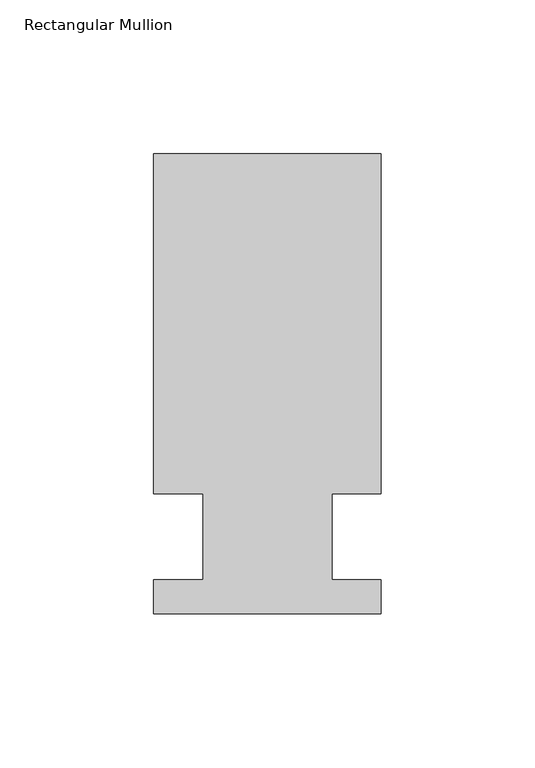
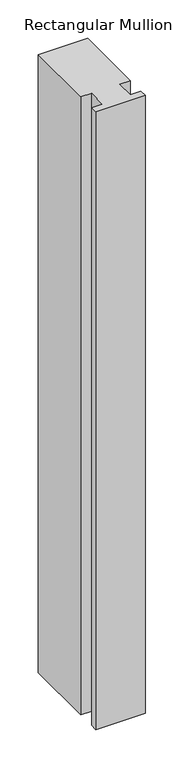
"""IFC4 building model written with IfcOpenShell, lengths in millimetres: member geometry, Rectangular Mullion."""

from ifc_helpers import new_model, si_unit, frame, origin, place, context, project, spatial, polyline, outline, extrude, source, transform, mapped, element, save


def rectangular_mullion_523e6ee9(model_context):
    return source(origin(), model_context, "Body", "SweptSolid", [
        extrude(outline(polyline([(-20.9800745, 13.9998907), (-37.0, 13.9998907), (-37.0, 124.5), (37.0, 124.5), (37.0, 13.9998907), (20.9800745, 13.9998907), (20.9800745, -14.0), (36.9800745, -14.0), (36.9800745, -25.0), (-37.0, -25.0), (-37.0, -14.0), (-20.9800745, -14.0), (-20.9800745, 13.9998907)])), frame((0.0, 0.0, -981.5000086), z_axis=(0.0, 0.0, 1.0), x_axis=(1.0, 0.0, 0.0)), (0.0, 0.0, 1.0), 981.5000086),
    ])


if __name__ == "__main__":
    model = new_model("IFC4")
    model_context = context("Model", 3, world=origin())
    ifc_project = project(units=[si_unit("LENGTHUNIT", "METRE", prefix="MILLI")], contexts=[model_context])
    site = spatial("IfcSite", under=ifc_project)
    building = spatial("IfcBuilding", under=site)
    placement = place(None, origin())
    rectangular_mullion_shape = rectangular_mullion_523e6ee9(model_context)
    element("IfcMember", 1, ObjectType="Rectangular Mullion", at=placement, inside=building, context=model_context, shape_type="MappedRepresentation", body=[
        mapped(rectangular_mullion_shape, transform((0.0, 0.0, 0.0), x_axis=(1.0, 0.0, 0.0), y_axis=(0.0, 1.0, 0.0), z_axis=(0.0, 0.0, 1.0))),
    ])
    save(model, "model.ifc")
